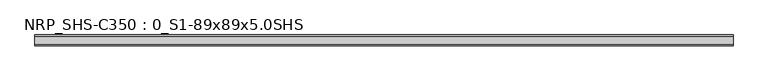
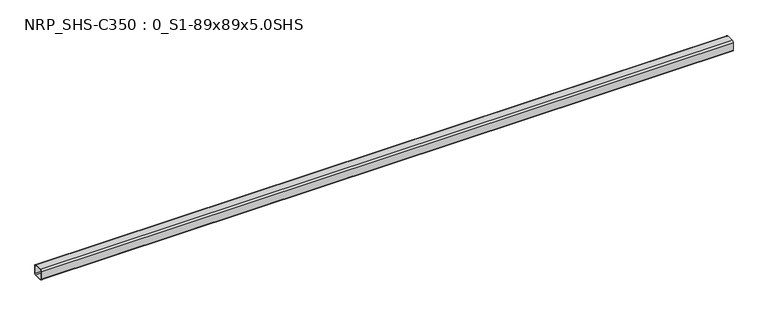
"""IFC4 building model written with IfcOpenShell, lengths in millimetres: beam geometry, NRP_SHS-C350 : 0_S1-89x89x5.0SHS."""

from ifc_helpers import new_model, si_unit, point, frame, frame_2d, origin, place, context, project, spatial, polyline, circle_curve, trimmed, segment, composite_curve, outline, extrude, source, transform, mapped, element, save


def nrp_shs_c350_0_s1_89x89x5_0shs_4e04ba2a(model_context):
    return source(origin(), model_context, "Body", "SweptSolid", [
        extrude(outline(composite_curve([segment(polyline([(44.5, 32.0), (44.5, -32.0)]), True, "CONTINUOUS"), segment(trimmed(circle_curve(frame_2d((32.0, -32.0)), 12.5), [point((44.5, -32.0))], [point((32.0, -44.5))], False, "CARTESIAN"), True, "CONTINUOUS"), segment(polyline([(32.0, -44.5), (-32.0, -44.5)]), True, "CONTINUOUS"), segment(trimmed(circle_curve(frame_2d((-32.0, -32.0)), 12.5), [point((-32.0, -44.5))], [point((-44.5, -32.0))], False, "CARTESIAN"), True, "CONTINUOUS"), segment(polyline([(-44.5, -32.0), (-44.5, 32.0)]), True, "CONTINUOUS"), segment(trimmed(circle_curve(frame_2d((-32.0, 32.0)), 12.5), [point((-44.5, 32.0))], [point((-32.0, 44.5))], False, "CARTESIAN"), True, "CONTINUOUS"), segment(polyline([(-32.0, 44.5), (32.0, 44.5)]), True, "CONTINUOUS"), segment(trimmed(circle_curve(frame_2d((32.0, 32.0)), 12.5), [point((32.0, 44.5))], [point((44.5, 32.0))], False, "CARTESIAN"), True, "CONTINUOUS")], self_intersect=False), holes=[composite_curve([segment(trimmed(circle_curve(frame_2d((-32.0, 32.0)), 7.5), [point((-32.0, 39.5))], [point((-39.5, 32.0))], True, "CARTESIAN"), True, "CONTINUOUS"), segment(polyline([(-39.5, 32.0), (-39.5, -32.0)]), True, "CONTINUOUS"), segment(trimmed(circle_curve(frame_2d((-32.0, -32.0)), 7.5), [point((-39.5, -32.0))], [point((-32.0, -39.5))], True, "CARTESIAN"), True, "CONTINUOUS"), segment(polyline([(-32.0, -39.5), (32.0, -39.5)]), True, "CONTINUOUS"), segment(trimmed(circle_curve(frame_2d((32.0, -32.0)), 7.5), [point((32.0, -39.5))], [point((39.5, -32.0))], True, "CARTESIAN"), True, "CONTINUOUS"), segment(polyline([(39.5, -32.0), (39.5, 32.0)]), True, "CONTINUOUS"), segment(trimmed(circle_curve(frame_2d((32.0, 32.0)), 7.5), [point((39.5, 32.0))], [point((32.0, 39.5))], True, "CARTESIAN"), True, "CONTINUOUS"), segment(polyline([(32.0, 39.5), (-32.0, 39.5)]), True, "CONTINUOUS")], self_intersect=False)]), frame((-2812.5, 0.0, 0.0), z_axis=(1.0, 0.0, 0.0), x_axis=(0.0, 1.0, 0.0)), (0.0, 0.0, 1.0), 5637.0),
    ])


if __name__ == "__main__":
    model = new_model("IFC4")
    model_context = context("Model", 3, world=origin())
    ifc_project = project(units=[si_unit("LENGTHUNIT", "METRE", prefix="MILLI")], contexts=[model_context])
    site = spatial("IfcSite", under=ifc_project)
    building = spatial("IfcBuilding", under=site)
    placement = place(None, origin())
    nrp_shs_c350_0_s1_89x89x5_0shs_shape = nrp_shs_c350_0_s1_89x89x5_0shs_4e04ba2a(model_context)
    element("IfcBeam", 1, ObjectType="NRP_SHS-C350 : 0_S1-89x89x5.0SHS", at=placement, inside=building, context=model_context, shape_type="MappedRepresentation", body=[
        mapped(nrp_shs_c350_0_s1_89x89x5_0shs_shape, transform((0.0, 0.0, 0.0), x_axis=(1.0, 0.0, 0.0), y_axis=(0.0, 1.0, 0.0), z_axis=(0.0, 0.0, 1.0))),
    ])
    save(model, "model.ifc")
